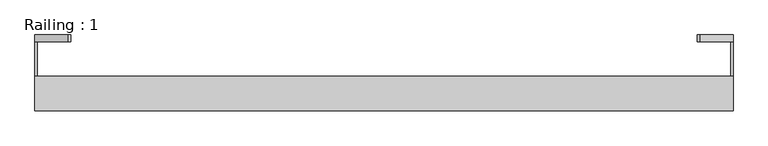
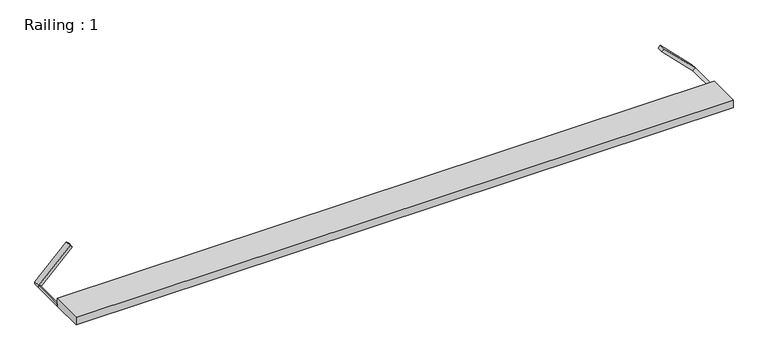
"""IFC4 building model written with IfcOpenShell, lengths in millimetres: proxy geometry, Railing : 1."""

from ifc_helpers import new_model, si_unit, point, frame, frame_2d, origin, origin_with_axes, place, context, project, spatial, polyline, circle_curve, trimmed, segment, composite_curve, outline, extrude, source, transform, mapped, element, save


def railing_1_0b209faa(model_context):
    return source(origin(), model_context, "Body", "SweptSolid", [
        extrude(outline(polyline([(1010.0, -148.3559767), (1010.0, -248.3559767), (-1010.0, -248.3559767), (-1010.0, -148.3559767), (1010.0, -148.3559767)])), origin_with_axes(), (0.0, 0.0, 1.0), 25.0),
        extrude(outline(composite_curve([segment(polyline([(0.0, 1010.0), (7.0710678, 1010.0)]), True, "CONTINUOUS"), segment(trimmed(circle_curve(frame_2d((0.0, 1010.0)), 7.0710678), [point((7.0710678, 1010.0))], [point((0.0, 1002.9289322))], False, "CARTESIAN"), True, "CONTINUOUS"), segment(polyline([(0.0, 1002.9289322), (0.0, 1010.0)]), True, "CONTINUOUS")], self_intersect=False)), frame((0.0, -148.3559767, 0.0), z_axis=(0.0, 1.0, 0.0), x_axis=(0.0, 0.0, 1.0)), (0.0, 0.0, 1.0), 100.0),
        extrude(outline(composite_curve([segment(polyline([(0.0, -1010.0), (0.0, -1002.9289322)]), True, "CONTINUOUS"), segment(trimmed(circle_curve(frame_2d((0.0, -1010.0)), 7.0710678), [point((0.0, -1002.9289322))], [point((7.0710678, -1010.0))], False, "CARTESIAN"), True, "CONTINUOUS"), segment(polyline([(7.0710678, -1010.0), (0.0, -1010.0)]), True, "CONTINUOUS")], self_intersect=False)), frame((0.0, -148.3559767, 0.0), z_axis=(0.0, 1.0, 0.0), x_axis=(0.0, 0.0, 1.0)), (0.0, 0.0, 1.0), 100.0),
        extrude(outline(polyline([(103.5355339, 913.5355339), (96.4644661, 906.4644661), (0.0, 1002.9289322), (0.0, 1010.0), (7.0710678, 1010.0), (103.5355339, 913.5355339)])), frame((0.0, -48.3559767, 0.0), z_axis=(0.0, 1.0, 0.0), x_axis=(0.0, 0.0, 1.0)), (0.0, 0.0, 1.0), 20.0),
        extrude(outline(polyline([(0.0, -1010.0), (0.0, -1002.9289322), (96.4644661, -906.4644661), (103.5355339, -913.5355339), (7.0710678, -1010.0), (0.0, -1010.0)])), frame((0.0, -48.3559767, 0.0), z_axis=(0.0, 1.0, 0.0), x_axis=(0.0, 0.0, 1.0)), (0.0, 0.0, 1.0), 20.0),
    ])


if __name__ == "__main__":
    model = new_model("IFC4")
    model_context = context("Model", 3, world=origin())
    ifc_project = project(units=[si_unit("LENGTHUNIT", "METRE", prefix="MILLI")], contexts=[model_context])
    site = spatial("IfcSite", under=ifc_project)
    building = spatial("IfcBuilding", under=site)
    placement = place(None, origin())
    railing_1_shape = railing_1_0b209faa(model_context)
    element("IfcBuildingElementProxy", 1, Name="Railing : 1", ObjectType="Railing : 1", at=placement, inside=building, context=model_context, shape_type="MappedRepresentation", body=[
        mapped(railing_1_shape, transform((0.0, 0.0, 0.0), x_axis=(1.0, 0.0, 0.0), y_axis=(0.0, 1.0, 0.0), z_axis=(0.0, 0.0, 1.0))),
    ])
    save(model, "model.ifc")
